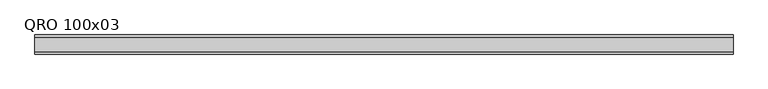
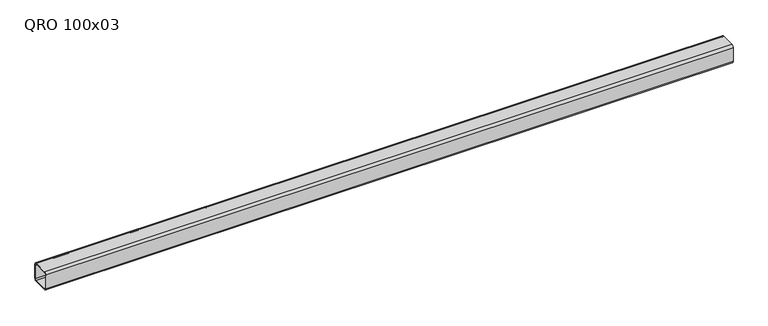
"""IFC4 building model written with IfcOpenShell, lengths in millimetres: beam geometry, QRO 100x03."""

from ifc_helpers import new_model, si_unit, point, frame, frame_2d, origin, place, context, project, spatial, polyline, circle_curve, trimmed, segment, composite_curve, outline, extrude, source, transform, mapped, element, save


def qro_100x03_1b0973a7(model_context):
    return source(origin(), model_context, "Body", "SweptSolid", [
        extrude(outline(composite_curve([segment(polyline([(50.0, 38.0), (50.0, -38.0)]), True, "CONTINUOUS"), segment(trimmed(circle_curve(frame_2d((38.0, -38.0)), 12.0), [point((50.0, -38.0))], [point((38.0, -50.0))], False, "CARTESIAN"), True, "CONTINUOUS"), segment(polyline([(38.0, -50.0), (-38.0, -50.0)]), True, "CONTINUOUS"), segment(trimmed(circle_curve(frame_2d((-38.0, -38.0)), 12.0), [point((-38.0, -50.0))], [point((-50.0, -38.0))], False, "CARTESIAN"), True, "CONTINUOUS"), segment(polyline([(-50.0, -38.0), (-50.0, 38.0)]), True, "CONTINUOUS"), segment(trimmed(circle_curve(frame_2d((-38.0, 38.0)), 12.0), [point((-50.0, 38.0))], [point((-38.0, 50.0))], False, "CARTESIAN"), True, "CONTINUOUS"), segment(polyline([(-38.0, 50.0), (38.0, 50.0)]), True, "CONTINUOUS"), segment(trimmed(circle_curve(frame_2d((38.0, 38.0)), 12.0), [point((38.0, 50.0))], [point((50.0, 38.0))], False, "CARTESIAN"), True, "CONTINUOUS")], self_intersect=False), holes=[composite_curve([segment(trimmed(circle_curve(frame_2d((-38.0, 38.0)), 6.0), [point((-38.0, 44.0))], [point((-44.0, 38.0))], True, "CARTESIAN"), True, "CONTINUOUS"), segment(polyline([(-44.0, 38.0), (-44.0, -38.0)]), True, "CONTINUOUS"), segment(trimmed(circle_curve(frame_2d((-38.0, -38.0)), 6.0), [point((-44.0, -38.0))], [point((-38.0, -44.0))], True, "CARTESIAN"), True, "CONTINUOUS"), segment(polyline([(-38.0, -44.0), (38.0, -44.0)]), True, "CONTINUOUS"), segment(trimmed(circle_curve(frame_2d((38.0, -38.0)), 6.0), [point((38.0, -44.0))], [point((44.0, -38.0))], True, "CARTESIAN"), True, "CONTINUOUS"), segment(polyline([(44.0, -38.0), (44.0, 38.0)]), True, "CONTINUOUS"), segment(trimmed(circle_curve(frame_2d((38.0, 38.0)), 6.0), [point((44.0, 38.0))], [point((38.0, 44.0))], True, "CARTESIAN"), True, "CONTINUOUS"), segment(polyline([(38.0, 44.0), (-38.0, 44.0)]), True, "CONTINUOUS")], self_intersect=False)]), frame((-1878.3420819, 0.0, 0.0), z_axis=(1.0, 0.0, 0.0), x_axis=(0.0, 1.0, 0.0)), (0.0, 0.0, 1.0), 3643.1842578),
    ])


if __name__ == "__main__":
    model = new_model("IFC4")
    model_context = context("Model", 3, world=origin())
    ifc_project = project(units=[si_unit("LENGTHUNIT", "METRE", prefix="MILLI")], contexts=[model_context])
    site = spatial("IfcSite", under=ifc_project)
    building = spatial("IfcBuilding", under=site)
    placement = place(None, origin())
    qro_100x03_shape = qro_100x03_1b0973a7(model_context)
    element("IfcBeam", 1, ObjectType="QRO 100x03", at=placement, inside=building, context=model_context, shape_type="MappedRepresentation", body=[
        mapped(qro_100x03_shape, transform((0.0, 0.0, 0.0), x_axis=(1.0, 0.0, 0.0), y_axis=(0.0, 1.0, 0.0), z_axis=(0.0, 0.0, 1.0))),
    ])
    save(model, "model.ifc")
